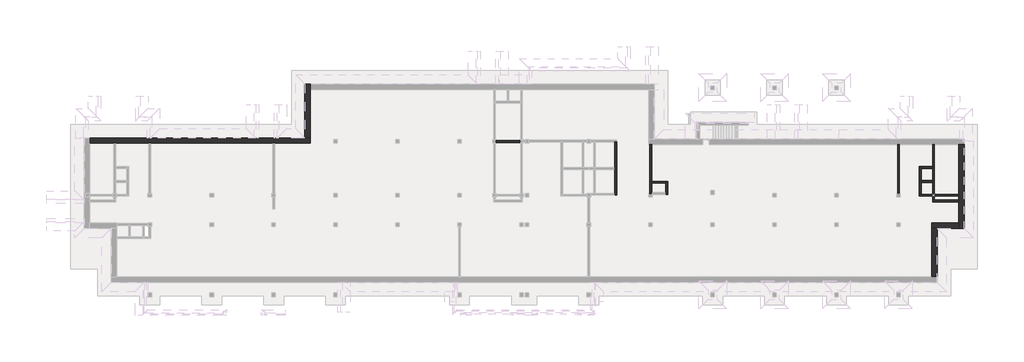
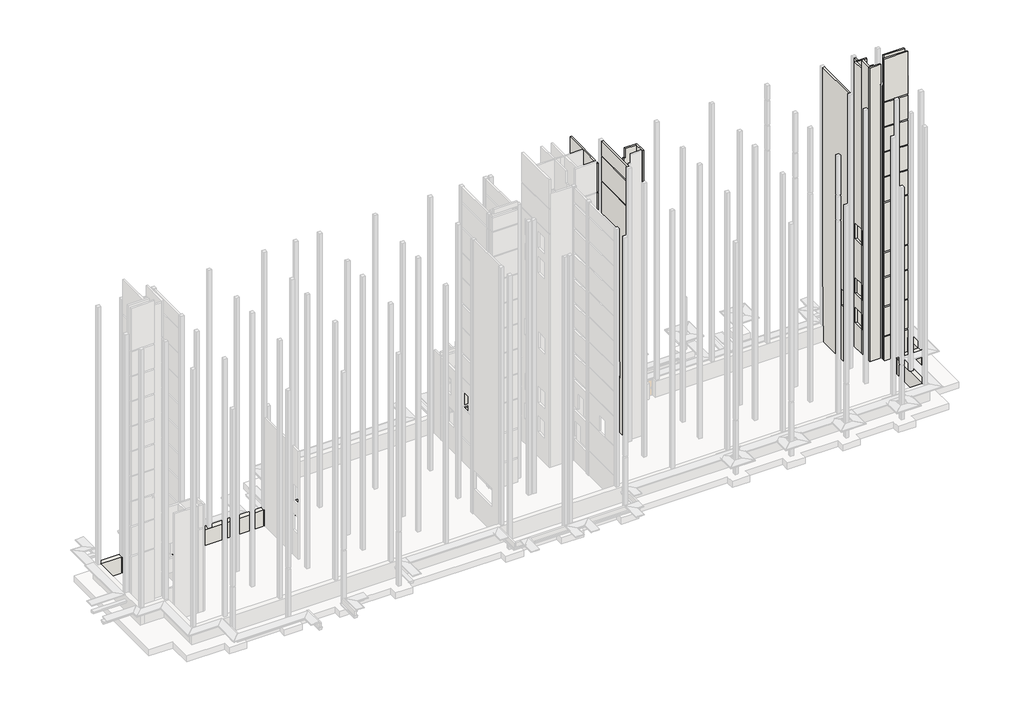
# One storey, part 4 of 9: 19 walls.
"""IFC4 building model written with IfcOpenShell, lengths in millimetres."""

import ifcopenshell
import ifcopenshell.guid

model = None  # the IFC model being written
_history = None  # IfcOwnerHistory: only IFC2X3 demands one
_inside = {}  # id of a spatial element -> (the spatial element, [elements in it])
_under = {}  # id of a project, library or spatial element -> (it, [spatial elements below it])
_declared = {}  # id of a project -> (the project, [libraries it declares])
_typed = {}  # id of a type object -> (the type object, [elements of that type])
_made_of = {}  # id of a material, layer set ... -> (it, [elements and type objects made of it])


def new_model(schema):
    """Start an empty IFC model of exactly this schema.

    Asked for "IFC4X3", IfcOpenShell would pick the latest addendum, in which some entities
    have other attributes; the version numbers below select the first issue.
    IFC2X3 requires an IfcOwnerHistory on every rooted entity: one is made here for all.
    """
    global model, _history
    if schema == "IFC4X3":
        model = ifcopenshell.file(schema_version=(4, 3, 0, 0))
    else:
        model = ifcopenshell.file(schema=schema)
    _inside.clear()
    _under.clear()
    _declared.clear()
    _typed.clear()
    _made_of.clear()
    _history = None
    if model.schema == "IFC2X3":
        org = make("IfcOrganization", Name="unknown")
        user = make(
            "IfcPersonAndOrganization",
            ThePerson=make("IfcPerson", FamilyName="unknown"),
            TheOrganization=org,
        )
        app = make(
            "IfcApplication",
            ApplicationDeveloper=org,
            Version="unknown",
            ApplicationFullName="unknown",
            ApplicationIdentifier="unknown",
        )
        _history = make(
            "IfcOwnerHistory",
            OwningUser=user,
            OwningApplication=app,
            ChangeAction="ADDED",
            CreationDate=0,
        )
    return model


def make(cls, **values):
    """One entity of the class cls with the attributes given. An attribute that is None is left unset."""
    return model.create_entity(
        cls, **{name: value for name, value in values.items() if value is not None}
    )


def rooted(cls, **values):
    """An entity with a GlobalId (a new one), such as an element, a storey or a relation."""
    return make(cls, GlobalId=ifcopenshell.guid.new(), OwnerHistory=_history, **values)


def si_unit(unit_type, name, prefix=None):
    """IfcSIUnit, for example si_unit("LENGTHUNIT", "METRE", prefix="MILLI")."""
    return make("IfcSIUnit", UnitType=unit_type, Prefix=prefix, Name=name)


def assignment(units):
    """IfcUnitAssignment: the units of a project."""
    return None if units is None else make("IfcUnitAssignment", Units=units)


def point(xyz):
    """IfcCartesianPoint."""
    return None if xyz is None else make("IfcCartesianPoint", Coordinates=xyz)


def direction(xyz):
    """IfcDirection."""
    return None if xyz is None else make("IfcDirection", DirectionRatios=xyz)


def frame(location, z_axis=None, x_axis=None):
    """IfcAxis2Placement3D, a coordinate frame: its origin and axes. An axis left out is left unset."""
    return make(
        "IfcAxis2Placement3D",
        Location=point(location),
        Axis=direction(z_axis),
        RefDirection=direction(x_axis),
    )


def origin():
    """The frame at (0, 0, 0) with its axes left unset."""
    return frame((0.0, 0.0, 0.0))


def origin_with_axes():
    """The frame at (0, 0, 0) with the z axis (0, 0, 1) and the x axis (1, 0, 0) written out."""
    return frame((0.0, 0.0, 0.0), z_axis=(0.0, 0.0, 1.0), x_axis=(1.0, 0.0, 0.0))


def place(relative_to, where):
    """IfcLocalPlacement: puts the frame where relative to a parent placement (None: the world)."""
    return make(
        "IfcLocalPlacement", PlacementRelTo=relative_to, RelativePlacement=where
    )


def context(
    kind, dimensions, precision=None, world=None, true_north=None, identifier=None
):
    """IfcGeometricRepresentationContext, for example the 3D "Model" context."""
    return make(
        "IfcGeometricRepresentationContext",
        ContextIdentifier=identifier,
        ContextType=kind,
        CoordinateSpaceDimension=dimensions,
        Precision=precision,
        WorldCoordinateSystem=world,
        TrueNorth=true_north,
    )


def project(units=None, contexts=None):
    """IfcProject with its units and contexts."""
    return rooted(
        "IfcProject",
        Name="project",
        RepresentationContexts=contexts,
        UnitsInContext=assignment(units),
    )


def spatial(cls, under=None, at=None, **own):
    """A site, building, storey or space (cls), placed at a placement, below another one or the project."""
    s = rooted(cls, ObjectPlacement=at, **own)
    if under is not None:
        _under.setdefault(under.id(), (under, []))[1].append(s)
    return s


def polyline(points):
    """IfcPolyline through the points."""
    return make("IfcPolyline", Points=[point(p) for p in points])


def outline(outer, holes=None, kind="AREA"):
    """IfcArbitraryClosedProfileDef: a profile drawn as a closed curve; with holes, ...WithVoids."""
    if holes is None:
        return make("IfcArbitraryClosedProfileDef", ProfileType=kind, OuterCurve=outer)
    return make(
        "IfcArbitraryProfileDefWithVoids",
        ProfileType=kind,
        OuterCurve=outer,
        InnerCurves=holes,
    )


def extrude(swept, where, along, depth):
    """IfcExtrudedAreaSolid: the profile swept, set in the frame where, extruded along a direction by depth."""
    return make(
        "IfcExtrudedAreaSolid",
        SweptArea=swept,
        Position=where,
        ExtrudedDirection=direction(along),
        Depth=depth,
    )


def faces_of(points, faces, orient=None, outer=None):
    """IfcFace entities. A face is a list of loops; a loop is a list of indices into points, from 0.

    orient and outer hold one flag for each loop. By default every Orientation is true, the
    first loop of a face is its IfcFaceOuterBound and the others are IfcFaceBound.
    """
    made = []
    for i, loops in enumerate(faces):
        bounds = []
        for j, loop in enumerate(loops):
            is_outer = j == 0 if outer is None else outer[i][j]
            bounds.append(
                make(
                    "IfcFaceOuterBound" if is_outer else "IfcFaceBound",
                    Bound=make("IfcPolyLoop", Polygon=[points[k] for k in loop]),
                    Orientation=True if orient is None else orient[i][j],
                )
            )
        made.append(make("IfcFace", Bounds=bounds))
    return made


def faceted_brep(points, faces, orient=None, outer=None, voids=None):
    """IfcFacetedBrep: a solid bounded by flat faces; with voids (closed shells), ...WithVoids."""
    shared = [point(p) for p in points]
    hull = make("IfcClosedShell", CfsFaces=faces_of(shared, faces, orient, outer))
    if voids is None:
        return make("IfcFacetedBrep", Outer=hull)
    return make(
        "IfcFacetedBrepWithVoids",
        Outer=hull,
        Voids=[
            make(cls, CfsFaces=faces_of(shared, fs, o, b)) for cls, fs, o, b in voids
        ],
    )


def shape(context_of_items, identifier, shape_type, items):
    """IfcShapeRepresentation: the items that make up one representation, for example the "Body"."""
    return make(
        "IfcShapeRepresentation",
        ContextOfItems=context_of_items,
        RepresentationIdentifier=identifier,
        RepresentationType=shape_type,
        Items=items,
    )


def made_of(thing, what):
    """Note that an element or type object is made of a material, layer set ...; save() writes the relation."""
    if what is not None:
        _made_of.setdefault(what.id(), (what, []))[1].append(thing)
    return thing


def element(
    cls,
    number,
    at=None,
    inside=None,
    cuts=None,
    type_object=None,
    material=None,
    context=None,
    identifier="Body",
    shape_type=None,
    held_by="IfcProductDefinitionShape",
    body=None,
    shapes=None,
    **own,
):
    """One element of the class cls, such as IfcWall. Its Tag is "e" and its number.

    at: its placement. inside: the storey or other place that contains it. cuts: it is an
    opening in that element (IfcRelVoidsElement). A single representation is given by context,
    identifier, shape_type and body (its items); several are given by shapes. held_by: the class
    of the entity that holds the representations. save() writes the other relations.
    """
    e = rooted(cls, Tag="e%d" % number, ObjectPlacement=at, **own)
    if body is not None:
        shapes = [shape(context, identifier, shape_type, body)]
    if shapes is not None:
        e.Representation = make(held_by, Representations=shapes)
    if inside is not None:
        _inside.setdefault(inside.id(), (inside, []))[1].append(e)
    if cuts is not None:
        rooted(
            "IfcRelVoidsElement", RelatingBuildingElement=cuts, RelatedOpeningElement=e
        )
    if type_object is not None:
        _typed.setdefault(type_object.id(), (type_object, []))[1].append(e)
    return made_of(e, material)


def aggregate(whole, parts):
    """IfcRelAggregates: a whole, such as a stair, and the parts it consists of."""
    return rooted("IfcRelAggregates", RelatingObject=whole, RelatedObjects=parts)


def save(model, path):
    """Write the relations noted so far, then the file.

    IfcRelAggregates (storeys below a building ...), IfcRelContainedInSpatialStructure (elements
    in a storey), IfcRelDefinesByType, IfcRelAssociatesMaterial and IfcRelDeclares: one each for
    every whole, place, type object, material and project.
    """
    for whole, parts in _under.values():
        aggregate(whole, parts)
    for where, things in _inside.values():
        rooted(
            "IfcRelContainedInSpatialStructure",
            RelatedElements=things,
            RelatingStructure=where,
        )
    for kind, things in _typed.values():
        rooted("IfcRelDefinesByType", RelatedObjects=things, RelatingType=kind)
    for what, things in _made_of.values():
        rooted("IfcRelAssociatesMaterial", RelatedObjects=things, RelatingMaterial=what)
    for by, libraries in _declared.values():
        rooted("IfcRelDeclares", RelatingContext=by, RelatedDefinitions=libraries)
    model.write(path)


model = new_model("IFC4")

# Units and contexts
model_context = context("Model", 3, world=origin())
ifc_project = project(units=[si_unit("LENGTHUNIT", "METRE", prefix="MILLI")], contexts=[model_context])

# Site, building, storey
site = spatial("IfcSite", under=ifc_project)
building = spatial("IfcBuilding", under=site)
storey = spatial("IfcBuildingStorey", under=building, Elevation=-3300.0)

# Walls
placement = place(None, origin())
element("IfcWall", 1, at=placement, inside=storey, context=model_context, shape_type="Brep", body=[
    faceted_brep([(-47589.9887159, 393.1079487, -1200.0), (-47589.9887159, 393.1079487, -3300.0), (-44889.9887159, 393.1079487, -3300.0), (-44689.9887159, 393.1079487, -3300.0), (-40989.9887159, 393.1079487, -3300.0), (-40789.9887159, 393.1079487, -3300.0), (-27189.9887159, 393.1079487, -3300.0), (-26989.9887159, 393.1079487, -3300.0), (-22989.9887159, 393.1079487, -3300.0), (-22989.9887159, 393.1079487, -1200.0), (-26579.9887159, 393.1079487, -1200.0), (-26889.9887159, 393.1079487, -1200.0), (-28889.9887159, 393.1079487, -1200.0), (-29199.9887159, 393.1079487, -1200.0), (-40701.9988172, 393.1079487, -1200.0), (-41011.9988172, 393.1079487, -1200.0), (-47589.9887159, 1003.1079487, -3300.0), (-47589.9887159, 1003.1079487, -1200.0), (-41011.9988172, 1003.1079487, -1200.0), (-40811.9988172, 1003.1079487, -1200.0), (-40701.9988172, 1003.1079487, -1200.0), (-29199.9887159, 1003.1079487, -1200.0), (-29089.9887159, 1003.1079487, -1200.0), (-28889.9887159, 1003.1079487, -1200.0), (-26889.9887159, 1003.1079487, -1200.0), (-26689.9887159, 1003.1079487, -1200.0), (-26579.9887159, 1003.1079487, -1200.0), (-23599.9887159, 1003.1079487, -1200.0), (-22989.9887159, 1003.1079487, -1200.0), (-22989.9887159, 1003.1079487, -3300.0), (-23599.9887159, 1003.1079487, -3300.0)], [[[0, 1, 2, 3, 4, 5, 6, 7, 8, 9, 10, 11, 12, 13, 14, 15]], [[16, 17, 18, 19, 20, 21, 22, 23, 24, 25, 26, 27, 28, 29, 30]], [[8, 7, 6, 5, 4, 3, 2, 1, 16, 30, 29]], [[0, 15, 14, 13, 12, 11, 10, 9, 28, 27, 26, 25, 24, 23, 22, 21, 20, 19, 18, 17]], [[0, 17, 16, 1]], [[9, 8, 29, 28]]]),
])
element("IfcWall", 2, at=placement, inside=storey, context=model_context, shape_type="Brep", body=[
    faceted_brep([(49210.0112841, 268.1079487, -1200.0), (49210.0112841, 268.1079487, -3300.0), (49210.0112841, -5306.8920513, -3300.0), (49210.0112841, -5506.8920513, -3300.0), (49210.0112841, -5946.8920513, -3300.0), (49210.0112841, -6146.8920513, -3300.0), (49210.0112841, -8506.8920513, -3300.0), (49210.0112841, -9116.8920513, -3300.0), (49210.0112841, -9116.8920513, -1200.0), (49210.0112841, -8506.8920513, -1200.0), (49820.0112841, 268.1079487, -3300.0), (49820.0112841, 268.1079487, -1200.0), (49820.0112841, -9116.8920513, -1200.0), (49820.0112841, -9116.8920513, -3300.0)], [[[0, 1, 2, 3, 4, 5, 6, 7, 8, 9]], [[10, 11, 12, 13]], [[7, 6, 5, 4, 3, 2, 1, 10, 13]], [[0, 9, 8, 12, 11]], [[0, 11, 10, 1]], [[8, 7, 13, 12]]]),
])
element("IfcWall", 3, at=placement, inside=storey, context=model_context, shape_type="Brep", body=[
    faceted_brep([(49210.0112841, -8506.8920513, -3300.0), (46210.0112841, -8506.8920513, -3300.0), (46210.0112841, -8506.8920513, -1200.0), (49210.0112841, -8506.8920513, -1200.0), (49210.0112841, -9116.8920513, -3300.0), (49210.0112841, -9116.8920513, -1200.0), (46820.0112841, -9116.8920513, -1200.0), (46210.0112841, -9116.8920513, -1200.0), (46210.0112841, -9116.8920513, -3300.0), (46820.0112841, -9116.8920513, -3300.0)], [[[0, 1, 2, 3]], [[4, 5, 6, 7, 8, 9]], [[1, 0, 4, 9, 8]], [[3, 2, 7, 6, 5]], [[0, 3, 5, 4]], [[2, 1, 8, 7]]]),
])
element("IfcWall", 4, at=placement, inside=storey, context=model_context, shape_type="SweptSolid", body=[
    extrude(outline(polyline([(46210.0112841, -14506.8920513), (46210.0112841, -9116.8920513), (46820.0112841, -9116.8920513), (46820.0112841, -14506.8920513), (46210.0112841, -14506.8920513)])), frame((0.0, 0.0, -3300.0), z_axis=(0.0, 0.0, 1.0), x_axis=(1.0, 0.0, 0.0)), (0.0, 0.0, 1.0), 2100.0),
])
element("IfcWall", 5, at=placement, inside=storey, context=model_context, shape_type="Brep", body=[
    faceted_brep([(49210.0112841, -5306.8920513, -3300.0), (46610.0112841, -5306.8920513, -3300.0), (46610.0112841, -5306.8920513, -160.0), (49206.2824705, -5306.8920513, -160.0), (49210.0112841, -5306.8920513, -160.0), (46610.0112841, -5506.8920513, -3300.0), (49210.0112841, -5506.8920513, -3300.0), (49210.0112841, -5506.8920513, -160.0), (46610.0112841, -5506.8920513, -160.0)], [[[0, 1, 2, 3, 4]], [[5, 6, 7, 8]], [[1, 0, 6, 5]], [[1, 5, 8, 2]], [[3, 2, 8, 7, 4]], [[6, 0, 4, 7]]]),
    faceted_brep([(46610.0112841, -5306.8920513, 36500.0), (49210.0112841, -5306.8920513, 36500.0), (49210.0112841, -5306.8920513, 30900.0), (49206.2824705, -5306.8920513, 30900.0), (46610.0112841, -5306.8920513, 30900.0), (49210.0112841, -5506.8920513, 36500.0), (49010.0112841, -5506.8920513, 36500.0), (46610.0112841, -5506.8920513, 36500.0), (46610.0112841, -5506.8920513, 30900.0), (49210.0112841, -5506.8920513, 30900.0), (49210.0112841, -5506.8920513, 33100.0)], [[[0, 1, 2, 3, 4]], [[5, 6, 7, 8, 9, 10]], [[7, 0, 4, 8]], [[1, 0, 7, 6, 5]], [[3, 2, 9, 8, 4]], [[1, 5, 10, 9, 2]]]),
    faceted_brep([(49206.2824705, -5306.8920513, 30740.0), (49210.0112841, -5306.8920513, 30740.0), (49210.0112841, -5306.8920513, 27600.0), (49206.2824705, -5306.8920513, 27600.0), (46610.0112841, -5306.8920513, 27600.0), (46610.0112841, -5306.8920513, 30740.0), (49210.0112841, -5506.8920513, 30740.0), (46610.0112841, -5506.8920513, 30740.0), (46610.0112841, -5506.8920513, 27600.0), (49210.0112841, -5506.8920513, 27600.0), (49210.0112841, -5406.8920513, 30740.0)], [[[0, 1, 2, 3, 4, 5]], [[6, 7, 8, 9]], [[7, 5, 4, 8]], [[1, 0, 5, 7, 6, 10]], [[4, 3, 2, 9, 8]], [[1, 10, 6, 9, 2]]]),
    faceted_brep([(46610.0112841, -5306.8920513, 27440.0), (49206.2824705, -5306.8920513, 27440.0), (49210.0112841, -5306.8920513, 27440.0), (49210.0112841, -5306.8920513, 24300.0), (49206.2824705, -5306.8920513, 24300.0), (46610.0112841, -5306.8920513, 24300.0), (49210.0112841, -5506.8920513, 27440.0), (46610.0112841, -5506.8920513, 27440.0), (46610.0112841, -5506.8920513, 24300.0), (49210.0112841, -5506.8920513, 24300.0), (49210.0112841, -5406.8920513, 27440.0)], [[[0, 1, 2, 3, 4, 5]], [[6, 7, 8, 9]], [[7, 0, 5, 8]], [[1, 0, 7, 6, 10, 2]], [[5, 4, 3, 9, 8]], [[2, 10, 6, 9, 3]]]),
    faceted_brep([(46610.0112841, -5306.8920513, 24140.0), (49206.2824705, -5306.8920513, 24140.0), (49210.0112841, -5306.8920513, 24140.0), (49210.0112841, -5306.8920513, 21000.0), (49206.2824705, -5306.8920513, 21000.0), (46610.0112841, -5306.8920513, 21000.0), (49210.0112841, -5506.8920513, 24140.0), (46610.0112841, -5506.8920513, 24140.0), (46610.0112841, -5506.8920513, 21000.0), (49210.0112841, -5506.8920513, 21000.0), (49210.0112841, -5406.8920513, 24140.0)], [[[0, 1, 2, 3, 4, 5]], [[6, 7, 8, 9]], [[7, 0, 5, 8]], [[1, 0, 7, 6, 10, 2]], [[5, 4, 3, 9, 8]], [[2, 10, 6, 9, 3]]]),
    faceted_brep([(46610.0112841, -5306.8920513, 20840.0), (49206.2824705, -5306.8920513, 20840.0), (49210.0112841, -5306.8920513, 20840.0), (49210.0112841, -5306.8920513, 17700.0), (49206.2824705, -5306.8920513, 17700.0), (46610.0112841, -5306.8920513, 17700.0), (49210.0112841, -5506.8920513, 20840.0), (46610.0112841, -5506.8920513, 20840.0), (46610.0112841, -5506.8920513, 17700.0), (49210.0112841, -5506.8920513, 17700.0), (49210.0112841, -5406.8920513, 20840.0)], [[[0, 1, 2, 3, 4, 5]], [[6, 7, 8, 9]], [[7, 0, 5, 8]], [[1, 0, 7, 6, 10, 2]], [[5, 4, 3, 9, 8]], [[2, 10, 6, 9, 3]]]),
    faceted_brep([(46610.0112841, -5306.8920513, 17540.0), (49206.2824705, -5306.8920513, 17540.0), (49210.0112841, -5306.8920513, 17540.0), (49210.0112841, -5306.8920513, 14400.0), (49206.2824705, -5306.8920513, 14400.0), (46610.0112841, -5306.8920513, 14400.0), (49210.0112841, -5506.8920513, 17540.0), (46610.0112841, -5506.8920513, 17540.0), (46610.0112841, -5506.8920513, 14400.0), (49210.0112841, -5506.8920513, 14400.0), (49210.0112841, -5406.8920513, 17540.0)], [[[0, 1, 2, 3, 4, 5]], [[6, 7, 8, 9]], [[7, 0, 5, 8]], [[1, 0, 7, 6, 10, 2]], [[5, 4, 3, 9, 8]], [[2, 10, 6, 9, 3]]]),
    faceted_brep([(46610.0112841, -5306.8920513, 14240.0), (49206.2824705, -5306.8920513, 14240.0), (49210.0112841, -5306.8920513, 14240.0), (49210.0112841, -5306.8920513, 11100.0), (49206.2824705, -5306.8920513, 11100.0), (46610.0112841, -5306.8920513, 11100.0), (49210.0112841, -5506.8920513, 14240.0), (46610.0112841, -5506.8920513, 14240.0), (46610.0112841, -5506.8920513, 11100.0), (49210.0112841, -5506.8920513, 11100.0), (49210.0112841, -5406.8920513, 14240.0)], [[[0, 1, 2, 3, 4, 5]], [[6, 7, 8, 9]], [[7, 0, 5, 8]], [[1, 0, 7, 6, 10, 2]], [[5, 4, 3, 9, 8]], [[2, 10, 6, 9, 3]]]),
    faceted_brep([(46610.0112841, -5306.8920513, 10940.0), (49206.2824705, -5306.8920513, 10940.0), (49210.0112841, -5306.8920513, 10940.0), (49210.0112841, -5306.8920513, 7800.0), (49206.2824705, -5306.8920513, 7800.0), (46610.0112841, -5306.8920513, 7800.0), (49210.0112841, -5506.8920513, 10940.0), (46610.0112841, -5506.8920513, 10940.0), (46610.0112841, -5506.8920513, 7800.0), (49210.0112841, -5506.8920513, 7800.0), (49210.0112841, -5406.8920513, 10940.0)], [[[0, 1, 2, 3, 4, 5]], [[6, 7, 8, 9]], [[7, 0, 5, 8]], [[1, 0, 7, 6, 10, 2]], [[2, 10, 6, 9, 3]], [[5, 4, 3, 9, 8]]]),
    faceted_brep([(46610.0112841, -5306.8920513, 3740.0), (49206.2824705, -5306.8920513, 3740.0), (49210.0112841, -5306.8920513, 3740.0), (49210.0112841, -5306.8920513, 0.0), (49206.2824705, -5306.8920513, 0.0), (46610.0112841, -5306.8920513, 0.0), (49210.0112841, -5506.8920513, 3740.0), (46610.0112841, -5506.8920513, 3740.0), (46610.0112841, -5506.8920513, 0.0), (49210.0112841, -5506.8920513, 0.0), (49210.0112841, -5406.8920513, 3740.0)], [[[0, 1, 2, 3, 4, 5]], [[6, 7, 8, 9]], [[7, 0, 5, 8]], [[1, 0, 7, 6, 10, 2]], [[5, 4, 3, 9, 8]], [[2, 10, 6, 9, 3]]]),
    faceted_brep([(49206.2824705, -5306.8920513, 3900.0), (46610.0112841, -5306.8920513, 3900.0), (46610.0112841, -5306.8920513, 7640.0), (49206.2824705, -5306.8920513, 7640.0), (49210.0112841, -5306.8920513, 7640.0), (49210.0112841, -5306.8920513, 3900.0), (46610.0112841, -5506.8920513, 3900.0), (49210.0112841, -5506.8920513, 3900.0), (49210.0112841, -5506.8920513, 7640.0), (46610.0112841, -5506.8920513, 7640.0), (49210.0112841, -5406.8920513, 7640.0)], [[[0, 1, 2, 3, 4, 5]], [[6, 7, 8, 9]], [[1, 6, 9, 2]], [[1, 0, 5, 7, 6]], [[7, 5, 4, 10, 8]], [[3, 2, 9, 8, 10, 4]]]),
])
element("IfcWall", 6, at=placement, inside=storey, context=model_context, shape_type="Brep", body=[
    faceted_brep([(42610.0112841, -5176.8920513, -3300.0), (42610.0112841, 268.1079487, -3300.0), (42610.0112841, 268.1079487, 0.0), (42610.0112841, 318.1079487, 0.0), (42610.0112841, 318.1079487, 3900.0), (42610.0112841, 393.1079487, 3900.0), (42610.0112841, 393.1079487, 32800.0), (42610.0112841, -5176.8920513, 32800.0), (42610.0112841, -5176.8920513, 30740.0), (42610.0112841, -5176.8920513, 14400.0), (42610.0112841, -5176.8920513, 14240.0), (42610.0112841, -5176.8920513, 11100.0), (42610.0112841, -4586.8920513, 6000.0), (42610.0112841, -3676.8920513, 6000.0), (42610.0112841, -3676.8920513, 3900.0), (42610.0112841, -4586.8920513, 3900.0), (42410.0112841, 268.1079487, -3300.0), (42410.0112841, -5176.8920513, -3300.0), (42410.0112841, -5176.8920513, 32800.0), (42410.0112841, 393.1079487, 32800.0), (42410.0112841, 393.1079487, 3900.0), (42410.0112841, 318.1079487, 3900.0), (42410.0112841, 318.1079487, 0.0), (42410.0112841, 268.1079487, 0.0), (42410.0112841, -3676.8920513, 6000.0), (42410.0112841, -4586.8920513, 6000.0), (42410.0112841, -4586.8920513, 3900.0), (42410.0112841, -3676.8920513, 3900.0)], [[[0, 1, 2, 3, 4, 5, 6, 7, 8, 9, 10, 11], [12, 13, 14, 15]], [[16, 17, 18, 19, 20, 21, 22, 23], [24, 25, 26, 27]], [[1, 0, 17, 16]], [[7, 6, 19, 18]], [[3, 2, 23, 22]], [[5, 4, 21, 20]], [[1, 16, 23, 2]], [[4, 3, 22, 21]], [[5, 20, 19, 6]], [[12, 25, 24, 13]], [[14, 27, 26, 15]], [[25, 12, 15, 26]], [[13, 24, 27, 14]], [[0, 11, 10, 9, 8, 7, 18, 17]]]),
])
element("IfcWall", 7, at=placement, inside=storey, context=model_context, shape_type="Brep", body=[
    faceted_brep([(11110.0112841, -5396.8920513, -3300.0), (11110.0112841, 533.1079487, -3300.0), (11110.0112841, 533.1079487, -160.0), (11110.0112841, 533.1079487, -100.0), (11110.0112841, 573.1079487, -100.0), (11110.0112841, 573.1079487, 3740.0), (11110.0112841, 533.1079487, 3740.0), (11110.0112841, 533.1079487, 3800.0), (11110.0112841, 613.1079487, 3800.0), (11110.0112841, 613.1079487, 7500.0), (11110.0112841, 533.1079487, 7500.0), (11110.0112841, 533.1079487, 7640.0), (11110.0112841, 533.1079487, 7689.8077786), (11110.0112841, 393.1079487, 7689.8077786), (11110.0112841, 393.1079487, 27440.0), (11110.0112841, -5396.8920513, 27440.0), (11110.0112841, -1551.6820699, 13200.0), (11110.0112841, -211.6785041, 13200.0), (11110.0112841, -211.6785041, 11100.0), (11110.0112841, -1551.6820699, 11100.0), (11110.0112841, -4446.6820699, 13200.0), (11110.0112841, -3106.6785041, 13200.0), (11110.0112841, -3106.6785041, 11100.0), (11110.0112841, -4446.6820699, 11100.0), (11110.0112841, -4446.6820699, 23100.0), (11110.0112841, -3106.6785041, 23100.0), (11110.0112841, -3106.6785041, 21000.0), (11110.0112841, -4446.6820699, 21000.0), (11110.0112841, -1656.6820699, 23100.0), (11110.0112841, -316.6785041, 23100.0), (11110.0112841, -316.6785041, 21000.0), (11110.0112841, -1656.6820699, 21000.0), (11110.0112841, -4497.1055986, 6000.0), (11110.0112841, -3157.1020328, 6000.0), (11110.0112841, -3157.1020328, 3900.0), (11110.0112841, -4497.1055986, 3900.0), (11110.0112841, -1656.6820699, 6000.0), (11110.0112841, -316.6785041, 6000.0), (11110.0112841, -316.6785041, 3900.0), (11110.0112841, -1656.6820699, 3900.0), (11110.0112841, -4446.6820699, 26400.0), (11110.0112841, -3106.6785041, 26400.0), (11110.0112841, -3106.6785041, 24300.0), (11110.0112841, -4446.6820699, 24300.0), (11110.0112841, -1656.6820699, 26400.0), (11110.0112841, -316.6785041, 26400.0), (11110.0112841, -316.6785041, 24300.0), (11110.0112841, -1656.6820699, 24300.0), (11110.0112841, -1652.1055986, 2100.0), (11110.0112841, -312.1020328, 2100.0), (11110.0112841, -312.1020328, 0.0), (11110.0112841, -1652.1055986, 0.0), (11110.0112841, -4707.1055986, 2100.0), (11110.0112841, -3367.1020328, 2100.0), (11110.0112841, -3367.1020328, 0.0), (11110.0112841, -4707.1055986, 0.0), (10910.0112841, 533.1079487, -3300.0), (10910.0112841, -2306.8920513, -3300.0), (10910.0112841, -2506.8920513, -3300.0), (10910.0112841, -5196.8920513, -3300.0), (10910.0112841, -5396.8920513, -3300.0), (10910.0112841, -5396.8920513, 10940.0), (10910.0112841, -5396.8920513, 11100.0), (10910.0112841, -5396.8920513, 14240.0), (10910.0112841, -5396.8920513, 14400.0), (10910.0112841, -5396.8920513, 17540.0), (10910.0112841, -5396.8920513, 17700.0), (10910.0112841, -5396.8920513, 20840.0), (10910.0112841, -5396.8920513, 21000.0), (10910.0112841, -5396.8920513, 24140.0), (10910.0112841, -5396.8920513, 24300.0), (10910.0112841, -5396.8920513, 27440.0), (10910.0112841, -5306.8920513, 27440.0), (10910.0112841, -2506.8920513, 27440.0), (10910.0112841, -2306.8920513, 27440.0), (10910.0112841, 393.1079487, 27440.0), (10910.0112841, 393.1079487, 7689.8077786), (10910.0112841, 533.1079487, 7689.8077786), (10910.0112841, -211.6785041, 13200.0), (10910.0112841, -1551.6820699, 13200.0), (10910.0112841, -1551.6820699, 11100.0), (10910.0112841, -211.6785041, 11100.0), (10910.0112841, -3106.6785041, 13200.0), (10910.0112841, -4446.6820699, 13200.0), (10910.0112841, -4446.6820699, 11100.0), (10910.0112841, -3106.6785041, 11100.0), (10910.0112841, -3106.6785041, 23100.0), (10910.0112841, -4446.6820699, 23100.0), (10910.0112841, -4446.6820699, 21000.0), (10910.0112841, -3106.6785041, 21000.0), (10910.0112841, -316.6785041, 23100.0), (10910.0112841, -1656.6820699, 23100.0), (10910.0112841, -1656.6820699, 21000.0), (10910.0112841, -316.6785041, 21000.0), (10910.0112841, -3157.1020328, 6000.0), (10910.0112841, -4497.1055986, 6000.0), (10910.0112841, -4497.1055986, 3900.0), (10910.0112841, -3157.1020328, 3900.0), (10910.0112841, -316.6785041, 6000.0), (10910.0112841, -1656.6820699, 6000.0), (10910.0112841, -1656.6820699, 3900.0), (10910.0112841, -316.6785041, 3900.0), (10910.0112841, -3106.6785041, 26400.0), (10910.0112841, -4446.6820699, 26400.0), (10910.0112841, -4446.6820699, 24300.0), (10910.0112841, -3106.6785041, 24300.0), (10910.0112841, -316.6785041, 26400.0), (10910.0112841, -1656.6820699, 26400.0), (10910.0112841, -1656.6820699, 24300.0), (10910.0112841, -316.6785041, 24300.0), (10910.0112841, -312.1020328, 2100.0), (10910.0112841, -1652.1055986, 2100.0), (10910.0112841, -1652.1055986, 0.0), (10910.0112841, -312.1020328, 0.0), (10910.0112841, -3367.1020328, 2100.0), (10910.0112841, -4707.1055986, 2100.0), (10910.0112841, -4707.1055986, 0.0), (10910.0112841, -3367.1020328, 0.0), (11010.0112841, 533.1079487, -100.0), (11010.0112841, 573.1079487, -100.0), (11010.0112841, 573.1079487, 3740.0), (11010.0112841, 533.1079487, 3740.0), (11010.0112841, 533.1079487, 3800.0), (11010.0112841, 613.1079487, 3800.0), (11010.0112841, 613.1079487, 7500.0), (11010.0112841, 533.1079487, 7500.0), (11010.0112841, 533.1079487, 0.0), (11010.0112841, 533.1079487, 3900.0)], [[[0, 1, 2, 3, 4, 5, 6, 7, 8, 9, 10, 11, 12, 13, 14, 15], [16, 17, 18, 19], [20, 21, 22, 23], [24, 25, 26, 27], [28, 29, 30, 31], [32, 33, 34, 35], [36, 37, 38, 39], [40, 41, 42, 43], [44, 45, 46, 47], [48, 49, 50, 51], [52, 53, 54, 55]], [[56, 57, 58, 59, 60, 61, 62, 63, 64, 65, 66, 67, 68, 69, 70, 71, 72, 73, 74, 75, 76, 77], [78, 79, 80, 81], [82, 83, 84, 85], [86, 87, 88, 89], [90, 91, 92, 93], [94, 95, 96, 97], [98, 99, 100, 101], [102, 103, 104, 105], [106, 107, 108, 109], [110, 111, 112, 113], [114, 115, 116, 117]], [[1, 0, 60, 59, 58, 57, 56]], [[17, 16, 79, 78]], [[18, 17, 78, 81]], [[19, 18, 81, 80]], [[16, 19, 80, 79]], [[21, 20, 83, 82]], [[22, 21, 82, 85]], [[23, 22, 85, 84]], [[20, 23, 84, 83]], [[25, 24, 87, 86]], [[26, 25, 86, 89]], [[27, 26, 89, 88]], [[24, 27, 88, 87]], [[29, 28, 91, 90]], [[30, 29, 90, 93]], [[31, 30, 93, 92]], [[28, 31, 92, 91]], [[60, 0, 15, 71, 70, 69, 68, 67, 66, 65, 64, 63, 62, 61]], [[95, 94, 33, 32]], [[96, 95, 32, 35]], [[97, 96, 35, 34]], [[94, 97, 34, 33]], [[37, 36, 99, 98]], [[38, 37, 98, 101]], [[39, 38, 101, 100]], [[36, 39, 100, 99]], [[41, 40, 103, 102]], [[42, 41, 102, 105]], [[43, 42, 105, 104]], [[40, 43, 104, 103]], [[45, 44, 107, 106]], [[46, 45, 106, 109]], [[47, 46, 109, 108]], [[44, 47, 108, 107]], [[4, 3, 118, 119]], [[6, 5, 120, 121]], [[8, 7, 122, 123]], [[10, 9, 124, 125]], [[13, 12, 77, 76]], [[5, 4, 119, 120]], [[119, 118, 126, 121, 120]], [[9, 8, 123, 124]], [[123, 122, 127, 125, 124]], [[3, 2, 1, 56, 77, 12, 11, 10, 125, 127, 122, 7, 6, 121, 126, 118]], [[111, 110, 49, 48]], [[112, 111, 48, 51]], [[113, 112, 51, 50]], [[110, 113, 50, 49]], [[115, 114, 53, 52]], [[116, 115, 52, 55]], [[117, 116, 55, 54]], [[114, 117, 54, 53]], [[15, 14, 75, 74, 73, 72, 71]], [[13, 76, 75, 14]]]),
    faceted_brep([(11110.0112841, 393.1079487, 34680.0), (11110.0112841, -5396.8920513, 34680.0), (11110.0112841, -5396.8920513, 30900.0), (11110.0112841, 393.1079487, 30900.0), (10910.0112841, -5396.8920513, 34680.0), (10910.0112841, -2506.8920513, 34680.0), (10910.0112841, -2306.8920513, 34680.0), (10910.0112841, 393.1079487, 34680.0), (10910.0112841, 393.1079487, 30900.0), (10910.0112841, -2306.8920513, 30900.0), (10910.0112841, -2506.8920513, 30900.0), (10910.0112841, -5306.8920513, 30900.0), (10910.0112841, -5396.8920513, 30900.0)], [[[0, 1, 2, 3]], [[4, 5, 6, 7, 8, 9, 10, 11, 12]], [[1, 0, 7, 6, 5, 4]], [[1, 4, 12, 2]], [[3, 2, 12, 11, 10, 9, 8]], [[7, 0, 3, 8]]]),
    faceted_brep([(11110.0112841, 393.1079487, 30740.0), (11110.0112841, -5396.8920513, 30740.0), (11110.0112841, -5396.8920513, 27600.0), (11110.0112841, 393.1079487, 27600.0), (10910.0112841, -5396.8920513, 30740.0), (10910.0112841, -5306.8920513, 30740.0), (10910.0112841, -2506.8920513, 30740.0), (10910.0112841, -2306.8920513, 30740.0), (10910.0112841, 393.1079487, 30740.0), (10910.0112841, 393.1079487, 27600.0), (10910.0112841, -2306.8920513, 27600.0), (10910.0112841, -2506.8920513, 27600.0), (10910.0112841, -5306.8920513, 27600.0), (10910.0112841, -5396.8920513, 27600.0)], [[[0, 1, 2, 3]], [[4, 5, 6, 7, 8, 9, 10, 11, 12, 13]], [[1, 4, 13, 2]], [[1, 0, 8, 7, 6, 5, 4]], [[3, 2, 13, 12, 11, 10, 9]], [[8, 0, 3, 9]]]),
])
element("IfcWall", 8, at=placement, inside=storey, context=model_context, shape_type="Brep", body=[
    faceted_brep([(-22989.9887159, 1003.1079487, -3300.0), (-22989.9887159, 6393.1079487, -3300.0), (-22989.9887159, 7003.1079487, -3300.0), (-22989.9887159, 7003.1079487, -1200.0), (-22989.9887159, 6393.1079487, -1200.0), (-22989.9887159, 1003.1079487, -1200.0), (-23599.9887159, 1003.1079487, -3300.0), (-23599.9887159, 1003.1079487, -1200.0), (-23599.9887159, 7003.1079487, -1200.0), (-23599.9887159, 7003.1079487, -3300.0)], [[[0, 1, 2, 3, 4, 5]], [[6, 7, 8, 9]], [[2, 1, 0, 6, 9]], [[5, 4, 3, 8, 7]], [[3, 2, 9, 8]], [[0, 5, 7, 6]]]),
])
element("IfcWall", 9, at=placement, inside=storey, context=model_context, shape_type="Brep", body=[
    faceted_brep([(15010.0112841, 318.1079487, 30740.0), (15010.0112841, -4046.8920513, 30740.0), (15010.0112841, -4046.8920513, 30900.0), (15010.0112841, 318.1079487, 30900.0), (15010.0112841, 318.1079487, 32800.0), (15010.0112841, -5206.8920513, 32800.0), (15010.0112841, -5206.8920513, -3300.0), (15010.0112841, -5096.8920513, -3300.0), (15010.0112841, -4046.8920513, -3300.0), (15010.0112841, -3846.8920513, -3300.0), (15010.0112841, 268.1079487, -3300.0), (15010.0112841, 268.1079487, 0.0), (15010.0112841, 318.1079487, 0.0), (15010.0112841, 318.1079487, 27440.0), (15010.0112841, -4046.8920513, 27440.0), (15010.0112841, -4046.8920513, 27600.0), (15010.0112841, 318.1079487, 27600.0), (15010.0112841, -2286.8920513, 3900.0), (15010.0112841, -3586.8920513, 3900.0), (15010.0112841, -3586.8920513, 6000.0), (15010.0112841, -2286.8920513, 6000.0), (15010.0112841, -2036.8920513, 2100.0), (15010.0112841, -1126.8920513, 2100.0), (15010.0112841, -1126.8920513, 0.0), (15010.0112841, -2036.8920513, 0.0), (15010.0112841, -1274.3920513, 13200.0), (15010.0112841, -364.3920513, 13200.0), (15010.0112841, -364.3920513, 11100.0), (15010.0112841, -1274.3920513, 11100.0), (15010.0112841, -3136.8920513, 13200.0), (15010.0112841, -2226.8920513, 13200.0), (15010.0112841, -2226.8920513, 11100.0), (15010.0112841, -3136.8920513, 11100.0), (14810.0112841, 318.1079487, 0.0), (14810.0112841, 268.1079487, 0.0), (14810.0112841, 268.1079487, -3300.0), (14810.0112841, -5206.8920513, -3300.0), (14810.0112841, -5206.8920513, 27440.0), (14810.0112841, 318.1079487, 27440.0), (14810.0112841, -3586.8920513, 3900.0), (14810.0112841, -2286.8920513, 3900.0), (14810.0112841, -2286.8920513, 6000.0), (14810.0112841, -3586.8920513, 6000.0), (14810.0112841, -1126.8920513, 2100.0), (14810.0112841, -2036.8920513, 2100.0), (14810.0112841, -2036.8920513, 0.0), (14810.0112841, -1126.8920513, 0.0), (14810.0112841, -364.3920513, 13200.0), (14810.0112841, -1274.3920513, 13200.0), (14810.0112841, -1274.3920513, 11100.0), (14810.0112841, -364.3920513, 11100.0), (14810.0112841, -2226.8920513, 13200.0), (14810.0112841, -3136.8920513, 13200.0), (14810.0112841, -3136.8920513, 11100.0), (14810.0112841, -2226.8920513, 11100.0), (14810.0112841, 318.1079487, 32800.0), (14810.0112841, 318.1079487, 30900.0), (14810.0112841, -5206.8920513, 30900.0), (14810.0112841, -5206.8920513, 32800.0), (14810.0112841, 318.1079487, 30740.0), (14810.0112841, 318.1079487, 27600.0), (14810.0112841, -5206.8920513, 27600.0), (14810.0112841, -5206.8920513, 30740.0), (15002.553657, -5096.8920513, 30740.0), (15002.553657, -4046.8920513, 30740.0), (15006.2824705, -5206.8920513, 30740.0), (15006.2824705, -5096.8920513, 30740.0), (15002.553657, -4046.8920513, 30900.0), (15002.553657, -5096.8920513, 30900.0), (15006.2824705, -5096.8920513, 30900.0), (15006.2824705, -5206.8920513, 30900.0), (15006.2824705, -5206.8920513, 27600.0), (15006.2824705, -5206.8920513, 27440.0), (15002.553657, -5096.8920513, 27440.0), (15002.553657, -4046.8920513, 27440.0), (15006.2824705, -5096.8920513, 27440.0), (15002.553657, -4046.8920513, 27600.0), (15002.553657, -5096.8920513, 27600.0), (15006.2824705, -5096.8920513, 27600.0)], [[[0, 1, 2, 3, 4, 5, 6, 7, 8, 9, 10, 11, 12, 13, 14, 15, 16], [17, 18, 19, 20], [21, 22, 23, 24], [25, 26, 27, 28], [29, 30, 31, 32]], [[33, 34, 35, 36, 37, 38], [39, 40, 41, 42], [43, 44, 45, 46], [47, 48, 49, 50], [51, 52, 53, 54]], [[55, 56, 57, 58]], [[59, 60, 61, 62]], [[35, 10, 9, 8, 7, 6, 36]], [[4, 55, 58, 5]], [[18, 17, 40, 39]], [[19, 18, 39, 42]], [[20, 19, 42, 41]], [[17, 20, 41, 40]], [[21, 44, 43, 22]], [[23, 46, 45, 24]], [[44, 21, 24, 45]], [[22, 43, 46, 23]], [[25, 48, 47, 26]], [[27, 50, 49, 28]], [[48, 25, 28, 49]], [[26, 47, 50, 27]], [[29, 52, 51, 30]], [[31, 54, 53, 32]], [[52, 29, 32, 53]], [[30, 51, 54, 31]], [[63, 64, 1, 0, 59, 62, 65, 66]], [[67, 68, 69, 70, 57, 56, 3, 2]], [[64, 67, 2, 1]], [[5, 58, 57, 70, 65, 62, 61, 71, 72, 37, 36, 6]], [[64, 63, 68, 67]], [[73, 74, 14, 13, 38, 37, 72, 75]], [[76, 77, 78, 71, 61, 60, 16, 15]], [[74, 76, 15, 14]], [[74, 73, 77, 76]], [[12, 11, 34, 33]], [[10, 35, 34, 11]], [[55, 4, 3, 56]], [[59, 0, 16, 60]], [[12, 33, 38, 13]], [[66, 65, 70, 69]], [[63, 66, 69, 68]], [[75, 72, 71, 78]], [[73, 75, 78, 77]]]),
])
element("IfcWall", 10, at=placement, inside=storey, context=model_context, shape_type="SweptSolid", body=[
    extrude(outline(polyline([(310.0112841, 493.1079487), (-2289.9887159, 493.1079487), (-2289.9887159, 693.1079487), (310.0112841, 693.1079487), (310.0112841, 493.1079487)])), frame((0.0, 0.0, -3300.0), z_axis=(0.0, 0.0, 1.0), x_axis=(1.0, 0.0, 0.0)), (0.0, 0.0, 1.0), 2800.0),
    extrude(outline(polyline([(310.0112841, 493.1079487), (-2289.9887159, 493.1079487), (-2289.9887159, 693.1079487), (310.0112841, 693.1079487), (310.0112841, 493.1079487)])), frame((0.0, 0.0, 3900.0), z_axis=(0.0, 0.0, 1.0), x_axis=(1.0, 0.0, 0.0)), (0.0, 0.0, 1.0), 3400.0),
    extrude(outline(polyline([(310.0112841, 493.1079487), (-2289.9887159, 493.1079487), (-2289.9887159, 693.1079487), (310.0112841, 693.1079487), (310.0112841, 493.1079487)])), origin_with_axes(), (0.0, 0.0, 1.0), 3400.0),
])
element("IfcWall", 11, at=placement, inside=storey, context=model_context, shape_type="Brep", body=[
    faceted_brep([(16805.0112841, -5296.8920513, 34300.0), (16805.0112841, -5296.8920513, 30740.0), (16805.0112841, -5296.8920513, 27500.0), (16805.0112841, -5296.8920513, 27300.0), (16805.0112841, -5296.8920513, 24200.0), (16805.0112841, -5296.8920513, 24000.0), (16805.0112841, -5296.8920513, 20900.0), (16805.0112841, -5296.8920513, 20700.0), (16805.0112841, -5296.8920513, 17600.0), (16805.0112841, -5296.8920513, 17400.0), (16805.0112841, -5296.8920513, 14300.0), (16805.0112841, -5296.8920513, 14100.0), (16805.0112841, -5296.8920513, 11000.0), (16805.0112841, -5296.8920513, -3300.0), (16805.0112841, -3846.8920513, -3300.0), (16805.0112841, -3846.8920513, 34300.0), (16605.0112841, -5296.8920513, -3300.0), (16605.0112841, -5296.8920513, 3740.0), (16605.0112841, -5296.8920513, 3900.0), (16605.0112841, -5296.8920513, 7640.0), (16605.0112841, -5296.8920513, 7800.0), (16605.0112841, -5296.8920513, 10940.0), (16605.0112841, -5296.8920513, 11100.0), (16605.0112841, -5296.8920513, 14240.0), (16605.0112841, -5296.8920513, 14400.0), (16605.0112841, -5296.8920513, 17540.0), (16605.0112841, -5296.8920513, 17700.0), (16605.0112841, -5296.8920513, 20840.0), (16605.0112841, -5296.8920513, 21000.0), (16605.0112841, -5296.8920513, 24140.0), (16605.0112841, -5296.8920513, 24300.0), (16605.0112841, -5296.8920513, 30740.0), (16605.0112841, -5296.8920513, 30900.0), (16605.0112841, -5296.8920513, 32800.0), (16605.0112841, -5296.8920513, 33128.7284144), (16605.0112841, -5296.8920513, 34300.0), (16605.0112841, -5096.8920513, 34300.0), (16605.0112841, -4046.8920513, 34300.0), (16605.0112841, -3846.8920513, 34300.0), (16605.0112841, -3846.8920513, -3300.0), (16605.0112841, -4046.8920513, -3300.0), (16605.0112841, -5096.8920513, -3300.0)], [[[0, 1, 2, 3, 4, 5, 6, 7, 8, 9, 10, 11, 12, 13, 14, 15]], [[16, 17, 18, 19, 20, 21, 22, 23, 24, 25, 26, 27, 28, 29, 30, 31, 32, 33, 34, 35, 36, 37, 38, 39, 40, 41]], [[14, 13, 16, 41, 40, 39]], [[0, 15, 38, 37, 36, 35]], [[14, 39, 38, 15]], [[0, 35, 34, 33, 32, 31, 30, 29, 28, 27, 26, 25, 24, 23, 22, 21, 20, 19, 18, 17, 16, 13, 12, 11, 10, 9, 8, 7, 6, 5, 4, 3, 2, 1]]]),
])
element("IfcWall", 12, at=placement, inside=storey, context=model_context, shape_type="SweptSolid", body=[
    extrude(outline(polyline([(-3300.0, 15010.0112841), (-3300.0, 16605.0112841), (34300.0, 16605.0112841), (34300.0, 15220.0112841), (33100.0, 15220.0112841), (33100.0, 15010.0112841), (-3300.0, 15010.0112841)]), holes=[polyline([(0.0, 15200.004487), (2000.0, 15200.004487), (2000.0, 16455.0112841), (0.0, 16455.0112841), (0.0, 15200.004487)]), polyline([(3900.0, 15200.004487), (5900.0, 15200.004487), (5900.0, 16455.0112841), (3900.0, 16455.0112841), (3900.0, 15200.004487)]), polyline([(11100.0, 15217.504487), (13100.0, 15217.504487), (13100.0, 16472.5112841), (11100.0, 16472.5112841), (11100.0, 15217.504487)])]), frame((0.0, -4046.8920513, 0.0), z_axis=(0.0, 1.0, 0.0), x_axis=(0.0, 0.0, 1.0)), (0.0, 0.0, 1.0), 200.0),
])
element("IfcWall", 13, at=placement, inside=storey, context=model_context, shape_type="Brep", body=[
    faceted_brep([(46510.0112841, -5946.8920513, 32652.0), (46510.0112841, -5946.8920513, -3300.0), (46510.0112841, -5606.8920513, -3300.0), (46510.0112841, -5606.8920513, 32652.0), (46310.0112841, -5946.8920513, -3300.0), (46310.0112841, -5946.8920513, -160.0), (46310.0112841, -5946.8920513, 0.0), (46310.0112841, -5946.8920513, 3740.0), (46310.0112841, -5946.8920513, 3900.0), (46310.0112841, -5946.8920513, 7640.0), (46310.0112841, -5946.8920513, 7800.0), (46310.0112841, -5946.8920513, 10940.0), (46310.0112841, -5946.8920513, 11100.0), (46310.0112841, -5946.8920513, 17540.0), (46310.0112841, -5946.8920513, 17700.0), (46310.0112841, -5946.8920513, 20840.0), (46310.0112841, -5946.8920513, 21000.0), (46310.0112841, -5946.8920513, 24140.0), (46310.0112841, -5946.8920513, 24300.0), (46310.0112841, -5946.8920513, 27440.0), (46310.0112841, -5946.8920513, 27600.0), (46310.0112841, -5946.8920513, 30740.0), (46310.0112841, -5946.8920513, 30900.0), (46310.0112841, -5946.8920513, 32652.0), (46310.0112841, -5606.8920513, 32652.0), (46310.0112841, -5606.8920513, -3300.0)], [[[0, 1, 2, 3]], [[4, 5, 6, 7, 8, 9, 10, 11, 12, 13, 14, 15, 16, 17, 18, 19, 20, 21, 22, 23, 24, 25]], [[1, 4, 25, 2]], [[23, 0, 3, 24]], [[1, 0, 23, 22, 21, 20, 19, 18, 17, 16, 15, 14, 13, 12, 11, 10, 9, 8, 7, 6, 5, 4]], [[3, 2, 25, 24]]]),
    faceted_brep([(46510.0112841, 268.1079487, 0.0), (46510.0112841, 318.1079487, 0.0), (46510.0112841, 318.1079487, 3900.0), (46510.0112841, 393.1079487, 3900.0), (46510.0112841, 393.1079487, 32652.0), (46510.0112841, -5206.8920513, 32652.0), (46510.0112841, -5206.8920513, -3300.0), (46510.0112841, 268.1079487, -3300.0), (46510.0112841, 193.1079487, 0.0), (46510.0112841, -1106.8920513, 0.0), (46510.0112841, -1106.8920513, 2100.0), (46510.0112841, 193.1079487, 2100.0), (46310.0112841, 318.1079487, 0.0), (46310.0112841, 268.1079487, 0.0), (46310.0112841, 268.1079487, -3300.0), (46310.0112841, -2206.8920514, -3300.0), (46310.0112841, -2406.8920514, -3300.0), (46310.0112841, -3756.8920514, -3300.0), (46310.0112841, -3956.8920514, -3300.0), (46310.0112841, -5206.8920513, -3300.0), (46310.0112841, -5206.8920513, 32652.0), (46310.0112841, 393.1079487, 32652.0), (46310.0112841, 393.1079487, 3900.0), (46310.0112841, 318.1079487, 3900.0), (46310.0112841, -1106.8920513, 0.0), (46310.0112841, 193.1079487, 0.0), (46310.0112841, 193.1079487, 2100.0), (46310.0112841, -1106.8920513, 2100.0)], [[[0, 1, 2, 3, 4, 5, 6, 7], [8, 9, 10, 11]], [[12, 13, 14, 15, 16, 17, 18, 19, 20, 21, 22, 23], [24, 25, 26, 27]], [[14, 7, 6, 19, 18, 17, 16, 15]], [[4, 21, 20, 5]], [[1, 0, 13, 12]], [[3, 2, 23, 22]], [[0, 7, 14, 13]], [[2, 1, 12, 23]], [[25, 24, 9, 8]], [[26, 25, 8, 11]], [[27, 26, 11, 10]], [[24, 27, 10, 9]], [[3, 22, 21, 4]], [[6, 5, 20, 19]]]),
])
element("IfcWall", 14, at=placement, inside=storey, context=model_context, shape_type="Brep", body=[
    faceted_brep([(46310.0112841, -6146.8920513, -3300.0), (49210.0112841, -6146.8920513, -3300.0), (49210.0112841, -6146.8920513, -160.0), (46310.0112841, -6146.8920513, -160.0), (49210.0112841, -5946.8920513, -3300.0), (46510.0112841, -5946.8920513, -3300.0), (46310.0112841, -5946.8920513, -3300.0), (46310.0112841, -5946.8920513, -160.0), (46506.2824705, -5946.8920513, -160.0), (49210.0112841, -5946.8920513, -160.0)], [[[0, 1, 2, 3]], [[4, 5, 6, 7, 8, 9]], [[1, 0, 6, 5, 4]], [[3, 2, 9, 8, 7]], [[1, 4, 9, 2]], [[6, 0, 3, 7]]]),
    faceted_brep([(49210.0112841, -6146.8920513, 36500.0), (46310.0112841, -6146.8920513, 36500.0), (46310.0112841, -6146.8920513, 30900.0), (49210.0112841, -6146.8920513, 30900.0), (46310.0112841, -5946.8920513, 36500.0), (46510.0112841, -5946.8920513, 36500.0), (49010.0112841, -5946.8920513, 36500.0), (49210.0112841, -5946.8920513, 36500.0), (49210.0112841, -5946.8920513, 33100.0), (49210.0112841, -5946.8920513, 30900.0), (46506.2824705, -5946.8920513, 30900.0), (46310.0112841, -5946.8920513, 30900.0), (46310.0112841, -5946.8920513, 32652.0), (46310.0112841, -5946.8920513, 33100.0)], [[[0, 1, 2, 3]], [[4, 5, 6, 7, 8, 9, 10, 11, 12, 13]], [[1, 0, 7, 6, 5, 4]], [[3, 2, 11, 10, 9]], [[7, 0, 3, 9, 8]], [[1, 4, 13, 12, 11, 2]]]),
    faceted_brep([(46310.0112841, -6146.8920513, 0.0), (49210.0112841, -6146.8920513, 0.0), (49210.0112841, -6146.8920513, 3740.0), (46310.0112841, -6146.8920513, 3740.0), (46506.2824705, -5946.8920513, 0.0), (46310.0112841, -5946.8920513, 0.0), (46310.0112841, -5946.8920513, 3740.0), (46506.2824705, -5946.8920513, 3740.0), (49210.0112841, -5946.8920513, 3740.0), (49210.0112841, -5946.8920513, 0.0)], [[[0, 1, 2, 3]], [[4, 5, 6, 7, 8, 9]], [[1, 0, 5, 4, 9]], [[3, 2, 8, 7, 6]], [[9, 8, 2, 1]], [[5, 0, 3, 6]]]),
    faceted_brep([(46310.0112841, -6146.8920513, 3900.0), (49210.0112841, -6146.8920513, 3900.0), (49210.0112841, -6146.8920513, 7300.0), (49210.0112841, -6146.8920513, 7640.0), (46310.0112841, -6146.8920513, 7640.0), (49210.0112841, -5946.8920513, 3900.0), (46506.2824705, -5946.8920513, 3900.0), (46310.0112841, -5946.8920513, 3900.0), (46310.0112841, -5946.8920513, 7640.0), (46506.2824705, -5946.8920513, 7640.0), (49210.0112841, -5946.8920513, 7640.0)], [[[0, 1, 2, 3, 4]], [[5, 6, 7, 8, 9, 10]], [[1, 0, 7, 6, 5]], [[1, 5, 10, 3, 2]], [[7, 0, 4, 8]], [[4, 3, 10, 9, 8]]]),
    faceted_brep([(49210.0112841, -6146.8920513, 30740.0), (46310.0112841, -6146.8920513, 30740.0), (46310.0112841, -6146.8920513, 27600.0), (49210.0112841, -6146.8920513, 27600.0), (49210.0112841, -6146.8920513, 30400.0), (46506.2824705, -5946.8920513, 30740.0), (49210.0112841, -5946.8920513, 30740.0), (49210.0112841, -5946.8920513, 27600.0), (46506.2824705, -5946.8920513, 27600.0), (46310.0112841, -5946.8920513, 27600.0), (46310.0112841, -5946.8920513, 30740.0)], [[[0, 1, 2, 3, 4]], [[5, 6, 7, 8, 9, 10]], [[1, 0, 6, 5, 10]], [[3, 2, 9, 8, 7]], [[7, 6, 0, 4, 3]], [[1, 10, 9, 2]]]),
    faceted_brep([(49210.0112841, -6146.8920513, 27440.0), (46310.0112841, -6146.8920513, 27440.0), (46310.0112841, -6146.8920513, 24300.0), (49210.0112841, -6146.8920513, 24300.0), (49210.0112841, -6146.8920513, 27100.0), (46310.0112841, -5946.8920513, 27440.0), (46506.2824705, -5946.8920513, 27440.0), (49210.0112841, -5946.8920513, 27440.0), (49210.0112841, -5946.8920513, 24300.0), (46506.2824705, -5946.8920513, 24300.0), (46310.0112841, -5946.8920513, 24300.0)], [[[0, 1, 2, 3, 4]], [[5, 6, 7, 8, 9, 10]], [[1, 0, 7, 6, 5]], [[3, 2, 10, 9, 8]], [[8, 7, 0, 4, 3]], [[1, 5, 10, 2]]]),
    faceted_brep([(49210.0112841, -6146.8920513, 24140.0), (46310.0112841, -6146.8920513, 24140.0), (46310.0112841, -6146.8920513, 21000.0), (49210.0112841, -6146.8920513, 21000.0), (49210.0112841, -6146.8920513, 23800.0), (46310.0112841, -5946.8920513, 24140.0), (46506.2824705, -5946.8920513, 24140.0), (49210.0112841, -5946.8920513, 24140.0), (49210.0112841, -5946.8920513, 21000.0), (46506.2824705, -5946.8920513, 21000.0), (46310.0112841, -5946.8920513, 21000.0)], [[[0, 1, 2, 3, 4]], [[5, 6, 7, 8, 9, 10]], [[1, 0, 7, 6, 5]], [[3, 2, 10, 9, 8]], [[8, 7, 0, 4, 3]], [[1, 5, 10, 2]]]),
    faceted_brep([(49210.0112841, -6146.8920513, 20840.0), (46310.0112841, -6146.8920513, 20840.0), (46310.0112841, -6146.8920513, 17700.0), (49210.0112841, -6146.8920513, 17700.0), (49210.0112841, -6146.8920513, 20500.0), (46310.0112841, -5946.8920513, 20840.0), (46506.2824705, -5946.8920513, 20840.0), (49210.0112841, -5946.8920513, 20840.0), (49210.0112841, -5946.8920513, 17700.0), (46506.2824705, -5946.8920513, 17700.0), (46310.0112841, -5946.8920513, 17700.0)], [[[0, 1, 2, 3, 4]], [[5, 6, 7, 8, 9, 10]], [[1, 0, 7, 6, 5]], [[3, 2, 10, 9, 8]], [[8, 7, 0, 4, 3]], [[1, 5, 10, 2]]]),
    faceted_brep([(49210.0112841, -6146.8920513, 17540.0), (46310.0112841, -6146.8920513, 17540.0), (46310.0112841, -6146.8920513, 11100.0), (49210.0112841, -6146.8920513, 11100.0), (49210.0112841, -6146.8920513, 13900.0), (49210.0112841, -6146.8920513, 14400.0), (49210.0112841, -6146.8920513, 17200.0), (46310.0112841, -5946.8920513, 17540.0), (46506.2824705, -5946.8920513, 17540.0), (49210.0112841, -5946.8920513, 17540.0), (49210.0112841, -5946.8920513, 11100.0), (46506.2824705, -5946.8920513, 11100.0), (46310.0112841, -5946.8920513, 11100.0)], [[[0, 1, 2, 3, 4, 5, 6]], [[7, 8, 9, 10, 11, 12]], [[1, 0, 9, 8, 7]], [[3, 2, 12, 11, 10]], [[10, 9, 0, 6, 5, 4, 3]], [[1, 7, 12, 2]]]),
    faceted_brep([(49210.0112841, -6146.8920513, 10940.0), (46310.0112841, -6146.8920513, 10940.0), (46310.0112841, -6146.8920513, 7800.0), (49210.0112841, -6146.8920513, 7800.0), (46310.0112841, -5946.8920513, 10940.0), (46506.2824705, -5946.8920513, 10940.0), (49210.0112841, -5946.8920513, 10940.0), (49210.0112841, -5946.8920513, 7800.0), (46506.2824705, -5946.8920513, 7800.0), (46310.0112841, -5946.8920513, 7800.0)], [[[0, 1, 2, 3]], [[4, 5, 6, 7, 8, 9]], [[1, 0, 6, 5, 4]], [[6, 0, 3, 7]], [[1, 4, 9, 2]], [[3, 2, 9, 8, 7]]]),
])
element("IfcWall", 15, at=placement, inside=storey, context=model_context, shape_type="Brep", body=[
    faceted_brep([(45050.011284, -5306.8920513, -3300.0), (45050.011284, -3956.8920514, -3300.0), (45050.011284, -3756.8920514, -3300.0), (45050.011284, -3756.8920514, 34300.0), (45050.011284, -3756.8920514, 35450.0), (45050.011284, -5306.8920513, 35450.0), (45050.011284, -4001.8852543, 2000.0), (45050.011284, -4001.8852543, 0.0), (45050.011284, -5256.8920513, 0.0), (45050.011284, -5256.8920513, 2000.0), (45050.011284, -5261.7807113, 5900.0), (45050.011284, -4006.7739142, 5900.0), (45050.011284, -4006.7739142, 3900.0), (45050.011284, -5261.7807113, 3900.0), (45050.011284, -5261.8988485, 13100.0), (45050.011284, -4006.8920514, 13100.0), (45050.011284, -4006.8920514, 11100.0), (45050.011284, -5261.8988485, 11100.0), (44850.011284, -3756.8920514, -3300.0), (44850.011284, -5306.8920513, -3300.0), (44850.011284, -5306.8920513, 35450.0), (44850.011284, -3756.8920514, 35450.0), (44850.011284, -3756.8920514, 34300.0), (44850.011284, -4001.8852543, 0.0), (44850.011284, -4001.8852543, 2000.0), (44850.011284, -5256.8920513, 2000.0), (44850.011284, -5256.8920513, 0.0), (44850.011284, -4006.7739142, 5900.0), (44850.011284, -5261.7807113, 5900.0), (44850.011284, -5261.7807113, 3900.0), (44850.011284, -4006.7739142, 3900.0), (44850.011284, -4006.8920514, 13100.0), (44850.011284, -5261.8988485, 13100.0), (44850.011284, -5261.8988485, 11100.0), (44850.011284, -4006.8920514, 11100.0)], [[[0, 1, 2, 3, 4, 5], [6, 7, 8, 9], [10, 11, 12, 13], [14, 15, 16, 17]], [[18, 19, 20, 21, 22], [23, 24, 25, 26], [27, 28, 29, 30], [31, 32, 33, 34]], [[2, 1, 0, 19, 18]], [[5, 4, 21, 20]], [[4, 3, 2, 18, 22, 21]], [[23, 7, 6, 24]], [[24, 6, 9, 25]], [[8, 26, 25, 9]], [[7, 23, 26, 8]], [[10, 28, 27, 11]], [[11, 27, 30, 12]], [[12, 30, 29, 13]], [[31, 15, 14, 32]], [[15, 31, 34, 16]], [[16, 34, 33, 17]], [[28, 10, 13, 29]], [[32, 14, 17, 33]], [[19, 0, 5, 20]]]),
])
element("IfcWall", 16, at=placement, inside=storey, context=model_context, shape_type="SweptSolid", body=[
    extrude(outline(polyline([(46310.0112841, -3956.8920514), (45050.011284, -3956.8920514), (45050.011284, -3756.8920514), (46310.0112841, -3756.8920514), (46310.0112841, -3956.8920514)])), frame((0.0, 0.0, -3300.0), z_axis=(0.0, 0.0, 1.0), x_axis=(1.0, 0.0, 0.0)), (0.0, 0.0, 1.0), 37600.0),
])
element("IfcWall", 17, at=placement, inside=storey, context=model_context, shape_type="SweptSolid", body=[
    extrude(outline(polyline([(45050.011284, -2206.8920514), (46310.0112841, -2206.8920514), (46310.0112841, -2406.8920514), (45050.011284, -2406.8920514), (45050.011284, -2206.8920514)])), frame((0.0, 0.0, -3300.0), z_axis=(0.0, 0.0, 1.0), x_axis=(1.0, 0.0, 0.0)), (0.0, 0.0, 1.0), 37600.0),
])
element("IfcWall", 18, at=placement, inside=storey, context=model_context, shape_type="Brep", body=[
    faceted_brep([(44850.011284, -2206.8920514, -3300.0), (44850.011284, -3756.8920514, -3300.0), (44850.011284, -3756.8920514, 34300.0), (44850.011284, -2206.8920514, 34300.0), (44850.011284, -3711.8988485, 2000.0), (44850.011284, -3711.8988485, 0.0), (44850.011284, -2456.8920514, 0.0), (44850.011284, -2456.8920514, 2000.0), (44850.011284, -3679.5821526, 5900.0), (44850.011284, -3679.5821526, 3900.0), (44850.011284, -2424.5753555, 3900.0), (44850.011284, -2424.5753555, 5900.0), (44850.011284, -3711.8988485, 13100.0), (44850.011284, -3711.8988485, 11100.0), (44850.011284, -2456.8920514, 11100.0), (44850.011284, -2456.8920514, 13100.0), (45050.011284, -3756.8920514, -3300.0), (45050.011284, -2406.8920514, -3300.0), (45050.011284, -2206.8920514, -3300.0), (45050.011284, -2206.8920514, 34300.0), (45050.011284, -2406.8920514, 34300.0), (45050.011284, -3756.8920514, 34300.0), (45050.011284, -3711.8988485, 0.0), (45050.011284, -3711.8988485, 2000.0), (45050.011284, -2456.8920514, 2000.0), (45050.011284, -2456.8920514, 0.0), (45050.011284, -3679.5821526, 3900.0), (45050.011284, -3679.5821526, 5900.0), (45050.011284, -2424.5753555, 5900.0), (45050.011284, -2424.5753555, 3900.0), (45050.011284, -3711.8988485, 11100.0), (45050.011284, -3711.8988485, 13100.0), (45050.011284, -2456.8920514, 13100.0), (45050.011284, -2456.8920514, 11100.0)], [[[0, 1, 2, 3], [4, 5, 6, 7], [8, 9, 10, 11], [12, 13, 14, 15]], [[16, 17, 18, 19, 20, 21], [22, 23, 24, 25], [26, 27, 28, 29], [30, 31, 32, 33]], [[1, 0, 18, 17, 16]], [[3, 2, 21, 20, 19]], [[0, 3, 19, 18]], [[22, 5, 4, 23]], [[23, 4, 7, 24]], [[24, 7, 6, 25]], [[5, 22, 25, 6]], [[2, 1, 16, 21]], [[27, 26, 9, 8]], [[28, 27, 8, 11]], [[29, 28, 11, 10]], [[26, 29, 10, 9]], [[31, 30, 13, 12]], [[32, 31, 12, 15]], [[33, 32, 15, 14]], [[30, 33, 14, 13]]]),
])
element("IfcWall", 19, at=placement, inside=storey, context=model_context, shape_type="Brep", body=[
    faceted_brep([(46210.0112841, -5306.8920513, -3300.0), (45050.011284, -5306.8920513, -3300.0), (44850.011284, -5306.8920513, -3300.0), (44850.011284, -5306.8920513, 35450.0), (45050.011284, -5306.8920513, 35450.0), (46210.0112841, -5306.8920513, 35450.0), (46210.0112841, -5506.8920513, -3300.0), (46210.0112841, -5506.8920513, 35450.0), (44850.011284, -5506.8920513, 35450.0), (44850.011284, -5506.8920513, -3300.0)], [[[0, 1, 2, 3, 4, 5]], [[6, 7, 8, 9]], [[2, 1, 0, 6, 9]], [[5, 4, 3, 8, 7]], [[0, 5, 7, 6]], [[2, 9, 8, 3]]]),
])

save(model, "model.ifc")
